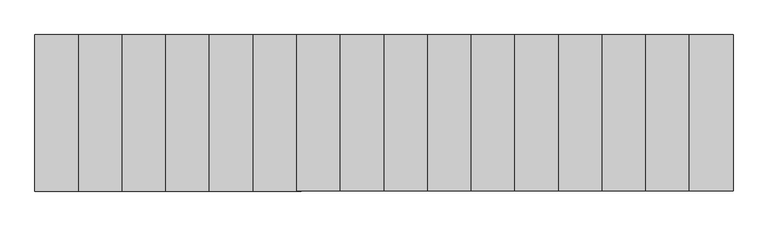
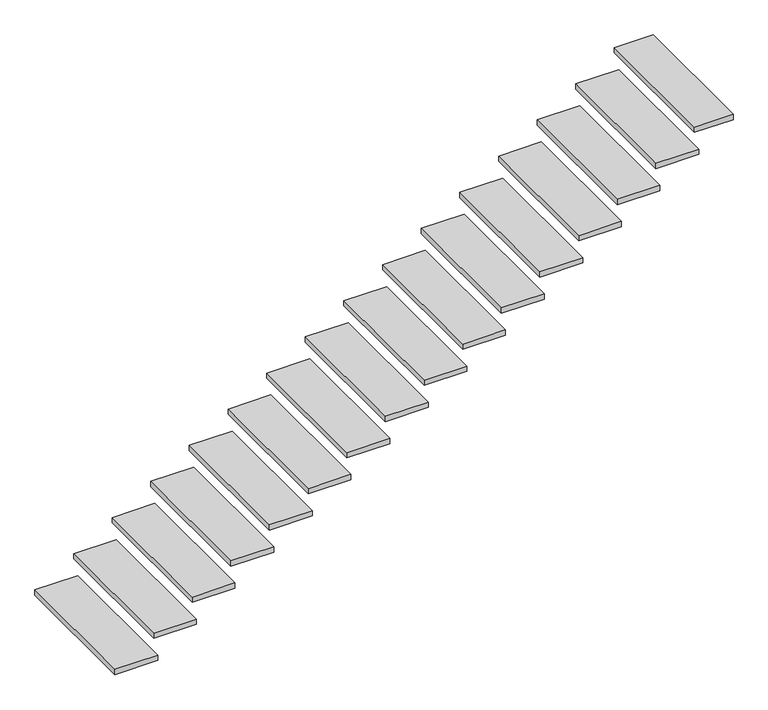
"""IFC4 building model written with IfcOpenShell, lengths in millimetres: stair flight geometry."""

import ifcopenshell
import ifcopenshell.guid

model = None  # the IFC model being written
_history = None  # IfcOwnerHistory: only IFC2X3 demands one
_inside = {}  # id of a spatial element -> (the spatial element, [elements in it])
_under = {}  # id of a project, library or spatial element -> (it, [spatial elements below it])
_declared = {}  # id of a project -> (the project, [libraries it declares])
_typed = {}  # id of a type object -> (the type object, [elements of that type])
_made_of = {}  # id of a material, layer set ... -> (it, [elements and type objects made of it])


def new_model(schema):
    """Start an empty IFC model of exactly this schema.

    Asked for "IFC4X3", IfcOpenShell would pick the latest addendum, in which some entities
    have other attributes; the version numbers below select the first issue.
    IFC2X3 requires an IfcOwnerHistory on every rooted entity: one is made here for all.
    """
    global model, _history
    if schema == "IFC4X3":
        model = ifcopenshell.file(schema_version=(4, 3, 0, 0))
    else:
        model = ifcopenshell.file(schema=schema)
    _inside.clear()
    _under.clear()
    _declared.clear()
    _typed.clear()
    _made_of.clear()
    _history = None
    if model.schema == "IFC2X3":
        org = make("IfcOrganization", Name="unknown")
        user = make(
            "IfcPersonAndOrganization",
            ThePerson=make("IfcPerson", FamilyName="unknown"),
            TheOrganization=org,
        )
        app = make(
            "IfcApplication",
            ApplicationDeveloper=org,
            Version="unknown",
            ApplicationFullName="unknown",
            ApplicationIdentifier="unknown",
        )
        _history = make(
            "IfcOwnerHistory",
            OwningUser=user,
            OwningApplication=app,
            ChangeAction="ADDED",
            CreationDate=0,
        )
    return model


def make(cls, **values):
    """One entity of the class cls with the attributes given. An attribute that is None is left unset."""
    return model.create_entity(
        cls, **{name: value for name, value in values.items() if value is not None}
    )


def rooted(cls, **values):
    """An entity with a GlobalId (a new one), such as an element, a storey or a relation."""
    return make(cls, GlobalId=ifcopenshell.guid.new(), OwnerHistory=_history, **values)


def si_unit(unit_type, name, prefix=None):
    """IfcSIUnit, for example si_unit("LENGTHUNIT", "METRE", prefix="MILLI")."""
    return make("IfcSIUnit", UnitType=unit_type, Prefix=prefix, Name=name)


def assignment(units):
    """IfcUnitAssignment: the units of a project."""
    return None if units is None else make("IfcUnitAssignment", Units=units)


def point(xyz):
    """IfcCartesianPoint."""
    return None if xyz is None else make("IfcCartesianPoint", Coordinates=xyz)


def direction(xyz):
    """IfcDirection."""
    return None if xyz is None else make("IfcDirection", DirectionRatios=xyz)


def frame(location, z_axis=None, x_axis=None):
    """IfcAxis2Placement3D, a coordinate frame: its origin and axes. An axis left out is left unset."""
    return make(
        "IfcAxis2Placement3D",
        Location=point(location),
        Axis=direction(z_axis),
        RefDirection=direction(x_axis),
    )


def origin():
    """The frame at (0, 0, 0) with its axes left unset."""
    return frame((0.0, 0.0, 0.0))


def place(relative_to, where):
    """IfcLocalPlacement: puts the frame where relative to a parent placement (None: the world)."""
    return make(
        "IfcLocalPlacement", PlacementRelTo=relative_to, RelativePlacement=where
    )


def context(
    kind, dimensions, precision=None, world=None, true_north=None, identifier=None
):
    """IfcGeometricRepresentationContext, for example the 3D "Model" context."""
    return make(
        "IfcGeometricRepresentationContext",
        ContextIdentifier=identifier,
        ContextType=kind,
        CoordinateSpaceDimension=dimensions,
        Precision=precision,
        WorldCoordinateSystem=world,
        TrueNorth=true_north,
    )


def project(units=None, contexts=None):
    """IfcProject with its units and contexts."""
    return rooted(
        "IfcProject",
        Name="project",
        RepresentationContexts=contexts,
        UnitsInContext=assignment(units),
    )


def spatial(cls, under=None, at=None, **own):
    """A site, building, storey or space (cls), placed at a placement, below another one or the project."""
    s = rooted(cls, ObjectPlacement=at, **own)
    if under is not None:
        _under.setdefault(under.id(), (under, []))[1].append(s)
    return s


def polyline(points):
    """IfcPolyline through the points."""
    return make("IfcPolyline", Points=[point(p) for p in points])


def outline(outer, holes=None, kind="AREA"):
    """IfcArbitraryClosedProfileDef: a profile drawn as a closed curve; with holes, ...WithVoids."""
    if holes is None:
        return make("IfcArbitraryClosedProfileDef", ProfileType=kind, OuterCurve=outer)
    return make(
        "IfcArbitraryProfileDefWithVoids",
        ProfileType=kind,
        OuterCurve=outer,
        InnerCurves=holes,
    )


def extrude(swept, where, along, depth):
    """IfcExtrudedAreaSolid: the profile swept, set in the frame where, extruded along a direction by depth."""
    return make(
        "IfcExtrudedAreaSolid",
        SweptArea=swept,
        Position=where,
        ExtrudedDirection=direction(along),
        Depth=depth,
    )


def shape(context_of_items, identifier, shape_type, items):
    """IfcShapeRepresentation: the items that make up one representation, for example the "Body"."""
    return make(
        "IfcShapeRepresentation",
        ContextOfItems=context_of_items,
        RepresentationIdentifier=identifier,
        RepresentationType=shape_type,
        Items=items,
    )


def source(mapping_origin, context_of_items, identifier, shape_type, items):
    """IfcRepresentationMap: a shape defined once, which mapped items show again and again."""
    return make(
        "IfcRepresentationMap",
        MappingOrigin=mapping_origin,
        MappedRepresentation=shape(context_of_items, identifier, shape_type, items),
    )


def transform(
    local_origin,
    x_axis=None,
    y_axis=None,
    z_axis=None,
    scale=None,
    scale2=None,
    scale3=None,
    uniform=True,
):
    """IfcCartesianTransformationOperator3D, or its non-uniform kind. x_axis, y_axis, z_axis: its Axis1, 2, 3."""
    if uniform:
        return make(
            "IfcCartesianTransformationOperator3D",
            Axis1=direction(x_axis),
            Axis2=direction(y_axis),
            LocalOrigin=point(local_origin),
            Scale=scale,
            Axis3=direction(z_axis),
        )
    return make(
        "IfcCartesianTransformationOperator3DnonUniform",
        Axis1=direction(x_axis),
        Axis2=direction(y_axis),
        LocalOrigin=point(local_origin),
        Scale=scale,
        Axis3=direction(z_axis),
        Scale2=scale2,
        Scale3=scale3,
    )


def mapped(mapping_source, mapping_target):
    """IfcMappedItem: shows the shape of a source again, moved by a transform."""
    return make(
        "IfcMappedItem", MappingSource=mapping_source, MappingTarget=mapping_target
    )


def made_of(thing, what):
    """Note that an element or type object is made of a material, layer set ...; save() writes the relation."""
    if what is not None:
        _made_of.setdefault(what.id(), (what, []))[1].append(thing)
    return thing


def element(
    cls,
    number,
    at=None,
    inside=None,
    cuts=None,
    type_object=None,
    material=None,
    context=None,
    identifier="Body",
    shape_type=None,
    held_by="IfcProductDefinitionShape",
    body=None,
    shapes=None,
    **own,
):
    """One element of the class cls, such as IfcWall. Its Tag is "e" and its number.

    at: its placement. inside: the storey or other place that contains it. cuts: it is an
    opening in that element (IfcRelVoidsElement). A single representation is given by context,
    identifier, shape_type and body (its items); several are given by shapes. held_by: the class
    of the entity that holds the representations. save() writes the other relations.
    """
    e = rooted(cls, Tag="e%d" % number, ObjectPlacement=at, **own)
    if body is not None:
        shapes = [shape(context, identifier, shape_type, body)]
    if shapes is not None:
        e.Representation = make(held_by, Representations=shapes)
    if inside is not None:
        _inside.setdefault(inside.id(), (inside, []))[1].append(e)
    if cuts is not None:
        rooted(
            "IfcRelVoidsElement", RelatingBuildingElement=cuts, RelatedOpeningElement=e
        )
    if type_object is not None:
        _typed.setdefault(type_object.id(), (type_object, []))[1].append(e)
    return made_of(e, material)


def aggregate(whole, parts):
    """IfcRelAggregates: a whole, such as a stair, and the parts it consists of."""
    return rooted("IfcRelAggregates", RelatingObject=whole, RelatedObjects=parts)


def save(model, path):
    """Write the relations noted so far, then the file.

    IfcRelAggregates (storeys below a building ...), IfcRelContainedInSpatialStructure (elements
    in a storey), IfcRelDefinesByType, IfcRelAssociatesMaterial and IfcRelDeclares: one each for
    every whole, place, type object, material and project.
    """
    for whole, parts in _under.values():
        aggregate(whole, parts)
    for where, things in _inside.values():
        rooted(
            "IfcRelContainedInSpatialStructure",
            RelatedElements=things,
            RelatingStructure=where,
        )
    for kind, things in _typed.values():
        rooted("IfcRelDefinesByType", RelatedObjects=things, RelatingType=kind)
    for what, things in _made_of.values():
        rooted("IfcRelAssociatesMaterial", RelatedObjects=things, RelatingMaterial=what)
    for by, libraries in _declared.values():
        rooted("IfcRelDeclares", RelatingContext=by, RelatedDefinitions=libraries)
    model.write(path)


def stair_flight_81667960(model_context):
    return source(origin(), model_context, "Body", "SweptSolid", [
        extrude(outline(polyline([(70328.75, 1000.0), (70328.75, 0.0), (70020.0, 0.0), (70020.0, 1000.0), (70328.75, 1000.0)])), frame((0.0, 0.0, 138.125), z_axis=(0.0, 0.0, 1.0), x_axis=(1.0, 0.0, 0.0)), (0.0, 0.0, 1.0), 40.0),
        extrude(outline(polyline([(70607.5, 1000.0), (70607.5, 0.0), (70298.75, 0.0), (70298.75, 1000.0), (70607.5, 1000.0)])), frame((0.0, 0.0, 316.25), z_axis=(0.0, 0.0, 1.0), x_axis=(1.0, 0.0, 0.0)), (0.0, 0.0, 1.0), 40.0),
        extrude(outline(polyline([(70886.25, 1000.0), (70886.25, 0.0), (70577.5, 0.0), (70577.5, 1000.0), (70886.25, 1000.0)])), frame((0.0, 0.0, 494.375), z_axis=(0.0, 0.0, 1.0), x_axis=(1.0, 0.0, 0.0)), (0.0, 0.0, 1.0), 40.0),
        extrude(outline(polyline([(71165.0, 1000.0), (71165.0, 0.0), (70856.25, 0.0), (70856.25, 1000.0), (71165.0, 1000.0)])), frame((0.0, 0.0, 672.5), z_axis=(0.0, 0.0, 1.0), x_axis=(1.0, 0.0, 0.0)), (0.0, 0.0, 1.0), 40.0),
        extrude(outline(polyline([(71443.75, 1000.0), (71443.75, 0.0), (71135.0, 0.0), (71135.0, 1000.0), (71443.75, 1000.0)])), frame((0.0, 0.0, 850.625), z_axis=(0.0, 0.0, 1.0), x_axis=(1.0, 0.0, 0.0)), (0.0, 0.0, 1.0), 40.0),
        extrude(outline(polyline([(71722.5, 1000.0), (71722.5, 0.0), (71413.75, 0.0), (71413.75, 1000.0), (71722.5, 1000.0)])), frame((0.0, 0.0, 1028.75), z_axis=(0.0, 0.0, 1.0), x_axis=(1.0, 0.0, 0.0)), (0.0, 0.0, 1.0), 40.0),
        extrude(outline(polyline([(72001.25, 1000.0), (72001.25, 0.0), (71692.5, 0.0), (71692.5, 1000.0), (72001.25, 1000.0)])), frame((0.0, 0.0, 1206.875), z_axis=(0.0, 0.0, 1.0), x_axis=(1.0, 0.0, 0.0)), (0.0, 0.0, 1.0), 40.0),
        extrude(outline(polyline([(72280.0, 1000.0), (72280.0, 0.0), (71971.25, 0.0), (71971.25, 1000.0), (72280.0, 1000.0)])), frame((0.0, 0.0, 1385.0), z_axis=(0.0, 0.0, 1.0), x_axis=(1.0, 0.0, 0.0)), (0.0, 0.0, 1.0), 40.0),
        extrude(outline(polyline([(72558.75, 1000.0), (72558.75, 0.0), (72250.0, 0.0), (72250.0, 1000.0), (72558.75, 1000.0)])), frame((0.0, 0.0, 1563.125), z_axis=(0.0, 0.0, 1.0), x_axis=(1.0, 0.0, 0.0)), (0.0, 0.0, 1.0), 40.0),
        extrude(outline(polyline([(72837.5, 1000.0), (72837.5, 0.0), (72528.75, 0.0), (72528.75, 1000.0), (72837.5, 1000.0)])), frame((0.0, 0.0, 1741.25), z_axis=(0.0, 0.0, 1.0), x_axis=(1.0, 0.0, 0.0)), (0.0, 0.0, 1.0), 40.0),
        extrude(outline(polyline([(73116.25, 1000.0), (73116.25, 0.0), (72807.5, 0.0), (72807.5, 1000.0), (73116.25, 1000.0)])), frame((0.0, 0.0, 1919.375), z_axis=(0.0, 0.0, 1.0), x_axis=(1.0, 0.0, 0.0)), (0.0, 0.0, 1.0), 40.0),
        extrude(outline(polyline([(73395.0, 1000.0), (73395.0, 0.0), (73086.25, 0.0), (73086.25, 1000.0), (73395.0, 1000.0)])), frame((0.0, 0.0, 2097.5), z_axis=(0.0, 0.0, 1.0), x_axis=(1.0, 0.0, 0.0)), (0.0, 0.0, 1.0), 40.0),
        extrude(outline(polyline([(73673.75, 1000.0), (73673.75, 0.0), (73365.0, 0.0), (73365.0, 1000.0), (73673.75, 1000.0)])), frame((0.0, 0.0, 2275.625), z_axis=(0.0, 0.0, 1.0), x_axis=(1.0, 0.0, 0.0)), (0.0, 0.0, 1.0), 40.0),
        extrude(outline(polyline([(73952.5, 1000.0), (73952.5, 0.0), (73643.75, 0.0), (73643.75, 1000.0), (73952.5, 1000.0)])), frame((0.0, 0.0, 2453.75), z_axis=(0.0, 0.0, 1.0), x_axis=(1.0, 0.0, 0.0)), (0.0, 0.0, 1.0), 40.0),
        extrude(outline(polyline([(74231.25, 1000.0), (74231.25, 0.0), (73922.5, 0.0), (73922.5, 1000.0), (74231.25, 1000.0)])), frame((0.0, 0.0, 2631.875), z_axis=(0.0, 0.0, 1.0), x_axis=(1.0, 0.0, 0.0)), (0.0, 0.0, 1.0), 40.0),
        extrude(outline(polyline([(74480.0, 1000.0), (74480.0, 0.0), (74201.25, 0.0), (74201.25, 1000.0), (74480.0, 1000.0)])), frame((0.0, 0.0, 2810.0), z_axis=(0.0, 0.0, 1.0), x_axis=(1.0, 0.0, 0.0)), (0.0, 0.0, 1.0), 40.0),
    ])


if __name__ == "__main__":
    model = new_model("IFC4")
    model_context = context("Model", 3, world=origin())
    ifc_project = project(units=[si_unit("LENGTHUNIT", "METRE", prefix="MILLI")], contexts=[model_context])
    site = spatial("IfcSite", under=ifc_project)
    building = spatial("IfcBuilding", under=site)
    placement = place(None, origin())
    stair_flight_shape = stair_flight_81667960(model_context)
    element("IfcStairFlight", 1, at=placement, inside=building, context=model_context, shape_type="MappedRepresentation", body=[
        mapped(stair_flight_shape, transform((0.0, 0.0, 0.0), x_axis=(1.0, 0.0, 0.0), y_axis=(0.0, 1.0, 0.0), z_axis=(0.0, 0.0, 1.0))),
    ])
    save(model, "model.ifc")
